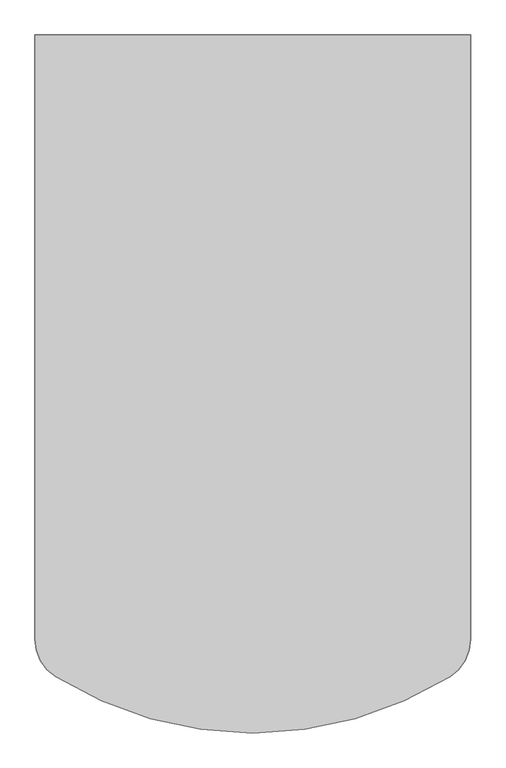
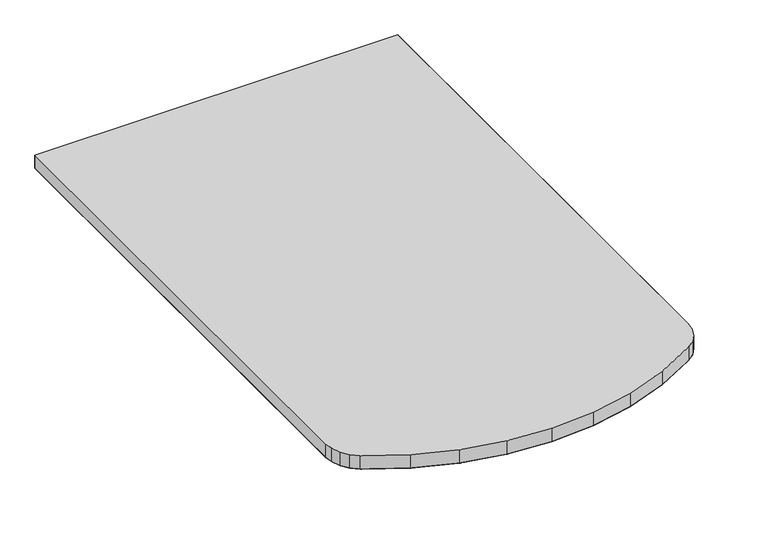
"""IFC4 building model written with IfcOpenShell, lengths in millimetres: furniture geometry."""

from ifc_helpers import new_model, si_unit, origin, place, context, project, spatial, triangles, source, transform, mapped, element, save


def furniture_586db5aa(model_context):
    return source(origin(), model_context, "Body", "Tessellation", [
        triangles([(760.4759651, -1.524, 695.8330359), (760.4759651, -1054.6414398, 695.8330359), (1.524, -1054.6414398, 695.8330359), (1.524, -1.524, 695.8330359), (1.524, -1.524, 725.4240349), (1.524, -1054.6414398, 725.4240349), (760.4759651, -1054.6414398, 725.4240349), (760.4759651, -1.524, 725.4240349), (3.9548847, -1073.7348238, 725.4240349), (758.0450815, -1073.7348238, 725.4240349), (11.0924416, -1091.6100409, 725.4240349), (750.9075811, -1091.6100409, 725.4240349), (22.4812745, -1107.1264629, 725.4240349), (739.5187414, -1107.1264629, 725.4240349), (37.3947446, -1119.2943249, 725.4240349), (724.6052622, -1119.2943249, 725.4240349), (3.9548847, -1073.7348238, 695.8330359), (758.0450815, -1073.7348238, 695.8330359), (11.0924416, -1091.6100409, 695.8330359), (750.9075811, -1091.6100409, 695.8330359), (22.4812745, -1107.1264629, 695.8330359), (739.5187414, -1107.1264629, 695.8330359), (37.3947446, -1119.2943249, 695.8330359), (724.6052622, -1119.2943249, 695.8330359), (117.2850286, -1161.7025648, 725.4240349), (644.7150078, -1161.7025648, 725.4240349), (202.2938659, -1192.5961733, 725.4240349), (559.7061341, -1192.5961733, 725.4240349), (471.2287222, -1211.3754776, 725.4240349), (290.771296, -1211.3754776, 725.4240349), (381.0, -1217.6759651, 725.4240349), (117.2850286, -1161.7025648, 695.8330359), (644.7150078, -1161.7025648, 695.8330359), (202.2938659, -1192.5961733, 695.8330359), (559.7061341, -1192.5961733, 695.8330359), (471.2287222, -1211.3754776, 695.8330359), (290.771296, -1211.3754776, 695.8330359), (381.0, -1217.6759651, 695.8330359)], [[1, 2, 3], [1, 3, 4], [5, 6, 7], [5, 7, 8], [7, 6, 9], [7, 9, 10], [10, 9, 11], [10, 11, 12], [12, 11, 13], [12, 13, 14], [14, 13, 15], [14, 15, 16], [2, 3, 17], [2, 17, 18], [18, 17, 19], [18, 19, 20], [20, 19, 21], [20, 21, 22], [22, 21, 23], [22, 23, 24], [25, 15, 26], [15, 16, 26], [26, 25, 27], [26, 27, 28], [27, 28, 29], [27, 29, 30], [29, 30, 31], [32, 23, 33], [23, 24, 33], [33, 32, 34], [33, 34, 35], [34, 35, 36], [34, 36, 37], [36, 37, 38]], closed=False),
        triangles([(760.4759651, -1054.6414398, 725.4240349), (760.4759651, -1054.6414398, 695.8330359), (760.4759651, -1.524, 695.8330359), (760.4759651, -1.524, 725.4240349), (1.524, -1.524, 695.8330359), (1.524, -1054.6414398, 695.8330359), (1.524, -1054.6414398, 725.4240349), (1.524, -1.524, 725.4240349), (37.3947446, -1119.2943249, 725.4240349), (37.3947446, -1119.2943249, 695.8330359), (117.2850286, -1161.7025648, 725.4240349), (117.2850286, -1161.7025648, 695.8330359), (202.2938659, -1192.5961733, 725.4240349), (202.2938659, -1192.5961733, 695.8330359), (290.771296, -1211.3754776, 725.4240349), (290.771296, -1211.3754776, 695.8330359), (381.0, -1217.6759651, 725.4240349), (381.0, -1217.6759651, 695.8330359), (471.2287222, -1211.3754776, 725.4240349), (471.2287222, -1211.3754776, 695.8330359), (559.7061341, -1192.5961733, 725.4240349), (559.7061341, -1192.5961733, 695.8330359), (644.7150078, -1161.7025648, 725.4240349), (644.7150078, -1161.7025648, 695.8330359), (724.6052622, -1119.2943249, 695.8330359), (724.6052622, -1119.2943249, 725.4240349), (739.5187414, -1107.1264629, 695.8330359), (739.5187414, -1107.1264629, 725.4240349), (750.9075811, -1091.6100409, 695.8330359), (750.9075811, -1091.6100409, 725.4240349), (758.0450815, -1073.7348238, 695.8330359), (758.0450815, -1073.7348238, 725.4240349), (22.4812745, -1107.1264629, 695.8330359), (22.4812745, -1107.1264629, 725.4240349), (11.0924416, -1091.6100409, 695.8330359), (11.0924416, -1091.6100409, 725.4240349), (3.9548847, -1073.7348238, 695.8330359), (3.9548847, -1073.7348238, 725.4240349)], [[1, 2, 3], [1, 3, 4], [5, 6, 7], [5, 7, 8], [8, 4, 3], [8, 3, 5], [9, 10, 11], [10, 12, 11], [11, 12, 13], [12, 14, 13], [13, 14, 15], [14, 16, 15], [15, 16, 17], [16, 18, 17], [17, 18, 19], [18, 20, 19], [19, 20, 21], [20, 22, 21], [21, 22, 23], [22, 24, 23], [23, 24, 25], [23, 25, 26], [26, 25, 27], [26, 27, 28], [28, 27, 29], [28, 29, 30], [30, 29, 31], [30, 31, 32], [32, 31, 2], [32, 2, 1], [9, 10, 33], [9, 33, 34], [34, 33, 35], [34, 35, 36], [36, 35, 37], [36, 37, 38], [38, 37, 6], [38, 6, 7]], closed=False),
    ])


if __name__ == "__main__":
    model = new_model("IFC4")
    model_context = context("Model", 3, world=origin())
    ifc_project = project(units=[si_unit("LENGTHUNIT", "METRE", prefix="MILLI")], contexts=[model_context])
    site = spatial("IfcSite", under=ifc_project)
    building = spatial("IfcBuilding", under=site)
    placement = place(None, origin())
    furniture_shape = furniture_586db5aa(model_context)
    element("IfcFurniture", 1, at=placement, inside=building, context=model_context, shape_type="MappedRepresentation", body=[
        mapped(furniture_shape, transform((0.0, 0.0, 0.0), x_axis=(1.0, 0.0, 0.0), y_axis=(0.0, 1.0, 0.0), z_axis=(0.0, 0.0, 1.0))),
    ])
    save(model, "model.ifc")
